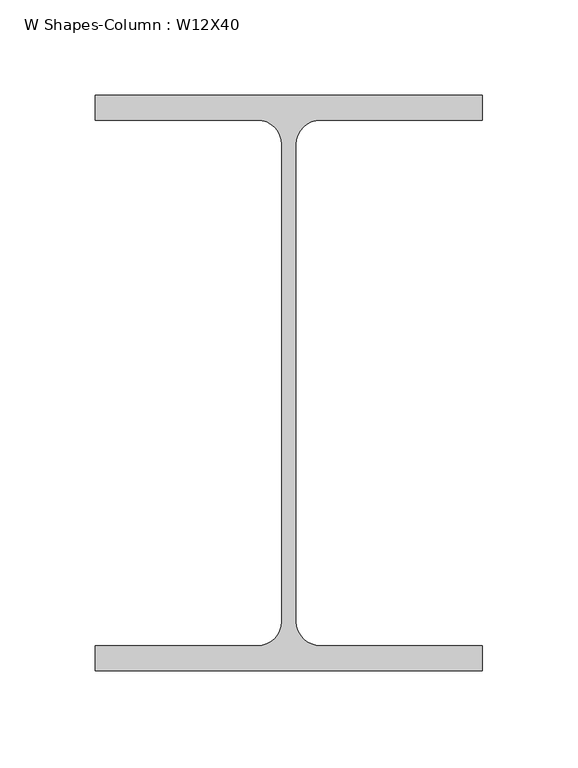
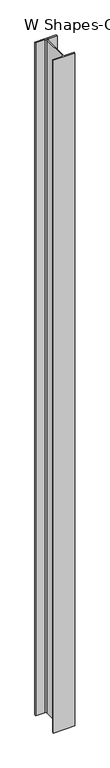
"""IFC4 building model written with IfcOpenShell, lengths in millimetres: column geometry, W Shapes-Column : W12X40."""

from ifc_helpers import new_model, si_unit, point, frame_2d, origin, origin_with_axes, place, context, project, spatial, polyline, circle_curve, trimmed, segment, composite_curve, outline, extrude, source, transform, mapped, element, save


def w_shapes_column_w12x40_c7d2e5f9(model_context):
    return source(origin(), model_context, "Body", "SweptSolid", [
        extrude(outline(composite_curve([segment(polyline([(101.727, 151.13), (101.727, 138.049), (16.5735, 138.049)]), True, "CONTINUOUS"), segment(trimmed(circle_curve(frame_2d((16.5735, 125.222)), 12.827), [point((16.5735, 138.049))], [point((3.7465, 125.222))], True, "CARTESIAN"), True, "CONTINUOUS"), segment(polyline([(3.7465, 125.222), (3.7465, -125.222)]), True, "CONTINUOUS"), segment(trimmed(circle_curve(frame_2d((16.5735, -125.222)), 12.827), [point((3.7465, -125.222))], [point((16.5735, -138.049))], True, "CARTESIAN"), True, "CONTINUOUS"), segment(polyline([(16.5735, -138.049), (101.727, -138.049), (101.727, -151.13), (-101.727, -151.13), (-101.727, -138.049), (-16.5735, -138.049)]), True, "CONTINUOUS"), segment(trimmed(circle_curve(frame_2d((-16.5735, -125.222)), 12.827), [point((-16.5735, -138.049))], [point((-3.7465, -125.222))], True, "CARTESIAN"), True, "CONTINUOUS"), segment(polyline([(-3.7465, -125.222), (-3.7465, 125.222)]), True, "CONTINUOUS"), segment(trimmed(circle_curve(frame_2d((-16.5735, 125.222)), 12.827), [point((-3.7465, 125.222))], [point((-16.5735, 138.049))], True, "CARTESIAN"), True, "CONTINUOUS"), segment(polyline([(-16.5735, 138.049), (-101.727, 138.049), (-101.727, 151.13), (101.727, 151.13)]), True, "CONTINUOUS")], self_intersect=False)), origin_with_axes(), (0.0, 0.0, 1.0), 6705.6),
    ])


if __name__ == "__main__":
    model = new_model("IFC4")
    model_context = context("Model", 3, world=origin())
    ifc_project = project(units=[si_unit("LENGTHUNIT", "METRE", prefix="MILLI")], contexts=[model_context])
    site = spatial("IfcSite", under=ifc_project)
    building = spatial("IfcBuilding", under=site)
    placement = place(None, origin())
    w_shapes_column_w12x40_shape = w_shapes_column_w12x40_c7d2e5f9(model_context)
    element("IfcColumn", 1, ObjectType="W Shapes-Column : W12X40", at=placement, inside=building, context=model_context, shape_type="MappedRepresentation", body=[
        mapped(w_shapes_column_w12x40_shape, transform((0.0, 0.0, 0.0), x_axis=(1.0, 0.0, 0.0), y_axis=(0.0, 1.0, 0.0), z_axis=(0.0, 0.0, 1.0))),
    ])
    save(model, "model.ifc")
